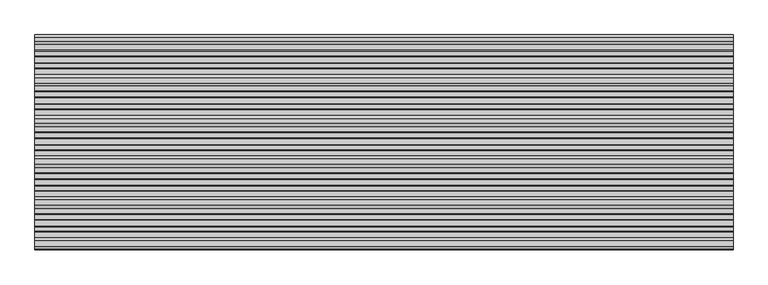
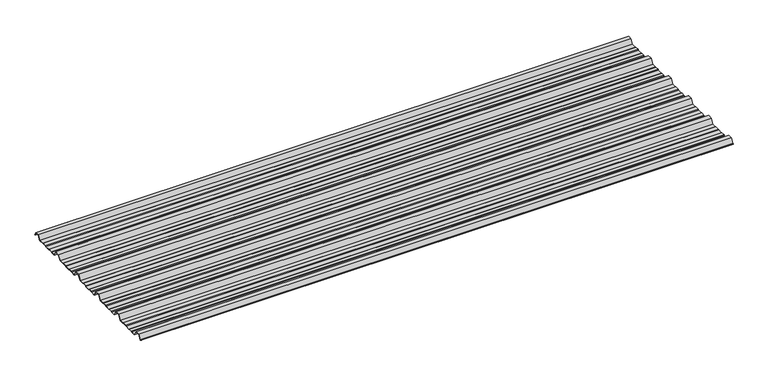
"""IFC4 building model written with IfcOpenShell, lengths in millimetres: beam geometry."""

from ifc_helpers import new_model, si_unit, point, frame, frame_2d, origin, place, context, project, spatial, polyline, circle_curve, trimmed, segment, composite_curve, outline, extrude, source, transform, mapped, element, save


def beam_e192d3f4(model_context):
    return source(origin(), model_context, "Body", "SweptSolid", [
        extrude(outline(composite_curve([segment(polyline([(-41.155409, -25.7896475), (-45.2820109, -23.7896475), (-62.8888461, -23.7896475), (-66.1530101, -25.7896475), (-88.4400183, -25.7896475), (-91.4814768, -23.7896475), (-107.1472807, -23.7896475), (-110.1909225, -25.7896475), (-130.513361, -25.7896475), (-142.4987169, -4.7896475), (-161.4999361, -4.7896475), (-173.513361, -25.7896475), (-193.155409, -25.7896475), (-197.2820109, -23.7896475), (-214.8888461, -23.7896475), (-218.1530101, -25.7896475), (-240.4400183, -25.7896475), (-243.4814768, -23.7896475), (-259.1472807, -23.7896475), (-262.1909225, -25.7896475), (-282.513361, -25.7896475), (-294.4987169, -4.7896475), (-313.4999361, -4.7896475), (-325.513361, -25.7896475), (-345.155409, -25.7896475), (-349.2820109, -23.7896475), (-366.8888461, -23.7896475), (-370.1530101, -25.7896475), (-392.4400183, -25.7896475), (-395.4814768, -23.7896475), (-411.1472807, -23.7896475), (-414.1909225, -25.7896475), (-434.513361, -25.7896475), (-446.4987169, -4.7896475), (-465.4999361, -4.7896475), (-477.513361, -25.7896475), (-497.155409, -25.7896475), (-501.2820109, -23.7896475), (-518.8888461, -23.7896475), (-522.1530101, -25.7896475), (-544.4400183, -25.7896475), (-547.4814768, -23.7896475), (-563.1472807, -23.7896475), (-566.1909225, -25.7896475), (-586.513361, -25.7896475), (-598.4987169, -4.7896475), (-617.4999361, -4.7896475), (-629.513361, -25.7896475), (-649.155409, -25.7896475), (-653.2820109, -23.7896475), (-670.8888461, -23.7896475), (-674.1530101, -25.7896475), (-696.4400183, -25.7896475), (-699.4814768, -23.7896475), (-715.1472807, -23.7896475), (-718.1909225, -25.7896475), (-738.513361, -25.7896475), (-750.4987169, -4.7896475), (-769.4999361, -4.7896475), (-780.3692253, -23.7896475), (-783.804755, -23.7896475)]), True, "CONTINUOUS"), segment(trimmed(circle_curve(frame_2d((-783.804755, -23.2896475)), 0.5), [point((-783.804755, -23.7896475))], [point((-783.804755, -22.7896475))], False, "CARTESIAN"), True, "CONTINUOUS"), segment(polyline([(-783.804755, -22.7896475), (-780.8686157, -22.7896475), (-769.9993265, -3.7896475), (-749.9993265, -3.7896475), (-738.0139706, -24.7896475), (-718.4900736, -24.7896475), (-715.4464317, -22.7896475), (-699.1821463, -22.7896475), (-696.1406878, -24.7896475), (-674.4350053, -24.7896475), (-671.1708413, -22.7896475), (-653.0524511, -22.7896475), (-648.9258491, -24.7896475), (-630.0127514, -24.7896475), (-617.9993265, -3.7896475), (-597.9993265, -3.7896475), (-586.0139706, -24.7896475), (-566.4900736, -24.7896475), (-563.4464317, -22.7896475), (-547.1821463, -22.7896475), (-544.1406878, -24.7896475), (-522.4350053, -24.7896475), (-519.1708413, -22.7896475), (-501.0524511, -22.7896475), (-496.9258491, -24.7896475), (-478.0127514, -24.7896475), (-465.9993265, -3.7896475), (-445.9993265, -3.7896475), (-434.0139706, -24.7896475), (-414.4900736, -24.7896475), (-411.4464317, -22.7896475), (-395.1821463, -22.7896475), (-392.1406878, -24.7896475), (-370.4350053, -24.7896475), (-367.1708413, -22.7896475), (-349.0524511, -22.7896475), (-344.9258491, -24.7896475), (-326.0127514, -24.7896475), (-313.9993265, -3.7896475), (-293.9993265, -3.7896475), (-282.0139706, -24.7896475), (-262.4900736, -24.7896475), (-259.4464317, -22.7896475), (-243.1821463, -22.7896475), (-240.1406878, -24.7896475), (-218.4350053, -24.7896475), (-215.1708413, -22.7896475), (-197.0524511, -22.7896475), (-192.9258491, -24.7896475), (-174.0127514, -24.7896475), (-161.9993265, -3.7896475), (-141.9993265, -3.7896475), (-130.0139706, -24.7896475), (-110.4900736, -24.7896475), (-107.4464317, -22.7896475), (-91.1821463, -22.7896475), (-88.1406878, -24.7896475), (-66.4350053, -24.7896475), (-63.1708413, -22.7896475), (-45.0524511, -22.7896475), (-40.9258491, -24.7896475), (-19.7086146, -24.7896475), (-8.8393254, -5.7896475), (8.8393254, -5.7896475), (16.8315702, -19.793165)]), True, "CONTINUOUS"), segment(trimmed(circle_curve(frame_2d((16.4279743, -20.0235098)), 0.4647024), [point((16.8315702, -19.793165))], [point((16.0243785, -20.2538545))], False, "CARTESIAN"), True, "CONTINUOUS"), segment(polyline([(16.0243785, -20.2538545), (8.339935, -6.7896475), (-8.339935, -6.7896475), (-19.2092242, -25.7896475), (-41.155409, -25.7896475)]), True, "CONTINUOUS")], self_intersect=False)), frame((-1297.4962986, 0.0, 0.0), z_axis=(1.0, 0.0, 0.0), x_axis=(0.0, 1.0, 0.0)), (0.0, 0.0, 1.0), 2594.9925972),
    ])


if __name__ == "__main__":
    model = new_model("IFC4")
    model_context = context("Model", 3, world=origin())
    ifc_project = project(units=[si_unit("LENGTHUNIT", "METRE", prefix="MILLI")], contexts=[model_context])
    site = spatial("IfcSite", under=ifc_project)
    building = spatial("IfcBuilding", under=site)
    placement = place(None, origin())
    beam_shape = beam_e192d3f4(model_context)
    element("IfcBeam", 1, at=placement, inside=building, context=model_context, shape_type="MappedRepresentation", body=[
        mapped(beam_shape, transform((0.0, 0.0, 0.0), x_axis=(1.0, 0.0, 0.0), y_axis=(0.0, 1.0, 0.0), z_axis=(0.0, 0.0, 1.0))),
    ])
    save(model, "model.ifc")
